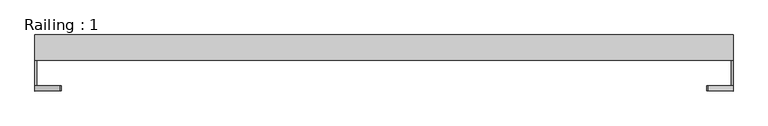
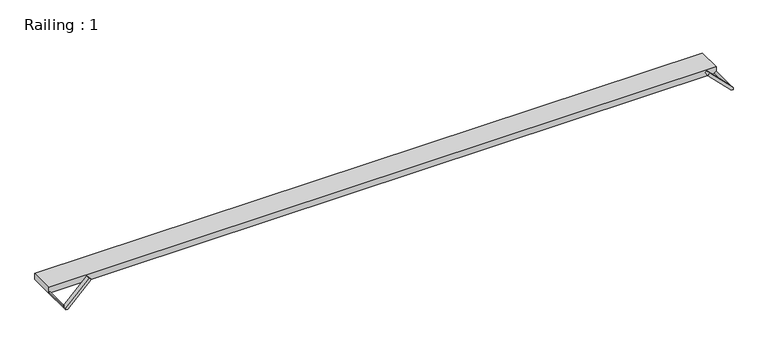
"""IFC4 building model written with IfcOpenShell, lengths in millimetres: proxy geometry, Railing : 1."""

from ifc_helpers import new_model, si_unit, point, frame, frame_2d, origin, origin_with_axes, place, context, project, spatial, polyline, circle_curve, trimmed, segment, composite_curve, outline, extrude, source, transform, mapped, element, save


def railing_1_09d41d6b(model_context):
    return source(origin(), model_context, "Body", "SweptSolid", [
        extrude(outline(polyline([(1369.2209151, 148.3559767), (-1369.2209151, 148.3559767), (-1369.2209151, 248.3559767), (1369.2209151, 248.3559767), (1369.2209151, 148.3559767)])), origin_with_axes(), (0.0, 0.0, 1.0), 25.0),
        extrude(outline(composite_curve([segment(polyline([(0.0, 1369.2209151), (7.0710678, 1369.2209151)]), True, "CONTINUOUS"), segment(trimmed(circle_curve(frame_2d((0.0, 1369.2209151)), 7.0710678), [point((7.0710678, 1369.2209151))], [point((0.0, 1362.1498473))], False, "CARTESIAN"), True, "CONTINUOUS"), segment(polyline([(0.0, 1362.1498473), (0.0, 1369.2209151)]), True, "CONTINUOUS")], self_intersect=False)), frame((0.0, 48.3559767, 0.0), z_axis=(0.0, 1.0, 0.0), x_axis=(0.0, 0.0, 1.0)), (0.0, 0.0, 1.0), 100.0),
        extrude(outline(composite_curve([segment(polyline([(0.0, -1369.2209151), (0.0, -1362.1498473)]), True, "CONTINUOUS"), segment(trimmed(circle_curve(frame_2d((0.0, -1369.2209151)), 7.0710678), [point((0.0, -1362.1498473))], [point((7.0710678, -1369.2209151))], False, "CARTESIAN"), True, "CONTINUOUS"), segment(polyline([(7.0710678, -1369.2209151), (0.0, -1369.2209151)]), True, "CONTINUOUS")], self_intersect=False)), frame((0.0, 48.3559767, 0.0), z_axis=(0.0, 1.0, 0.0), x_axis=(0.0, 0.0, 1.0)), (0.0, 0.0, 1.0), 100.0),
        extrude(outline(polyline([(103.5355339, 1272.756449), (96.4644661, 1265.6853812), (0.0, 1362.1498473), (0.0, 1369.2209151), (7.0710678, 1369.2209151), (103.5355339, 1272.756449)])), frame((0.0, 28.3559767, 0.0), z_axis=(0.0, 1.0, 0.0), x_axis=(0.0, 0.0, 1.0)), (0.0, 0.0, 1.0), 20.0),
        extrude(outline(polyline([(0.0, -1369.2209151), (0.0, -1362.1498473), (96.4644661, -1265.6853812), (103.5355339, -1272.756449), (7.0710678, -1369.2209151), (0.0, -1369.2209151)])), frame((0.0, 28.3559767, 0.0), z_axis=(0.0, 1.0, 0.0), x_axis=(0.0, 0.0, 1.0)), (0.0, 0.0, 1.0), 20.0),
    ])


if __name__ == "__main__":
    model = new_model("IFC4")
    model_context = context("Model", 3, world=origin())
    ifc_project = project(units=[si_unit("LENGTHUNIT", "METRE", prefix="MILLI")], contexts=[model_context])
    site = spatial("IfcSite", under=ifc_project)
    building = spatial("IfcBuilding", under=site)
    placement = place(None, origin())
    railing_1_shape = railing_1_09d41d6b(model_context)
    element("IfcBuildingElementProxy", 1, Name="Railing : 1", ObjectType="Railing : 1", at=placement, inside=building, context=model_context, shape_type="MappedRepresentation", body=[
        mapped(railing_1_shape, transform((0.0, 0.0, 0.0), x_axis=(1.0, 0.0, 0.0), y_axis=(0.0, 1.0, 0.0), z_axis=(0.0, 0.0, 1.0))),
    ])
    save(model, "model.ifc")
